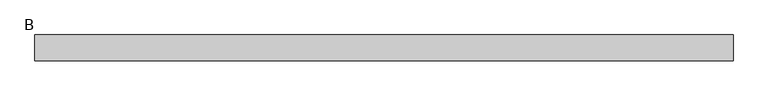
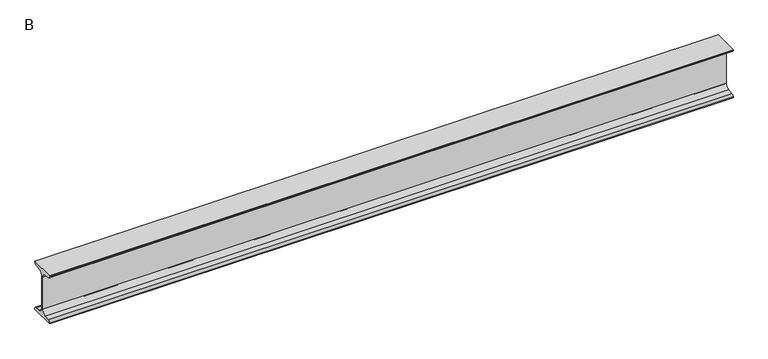
"""IFC4 building model written with IfcOpenShell, lengths in millimetres: beam geometry, B."""

from ifc_helpers import new_model, si_unit, point, frame, frame_2d, origin, place, context, project, spatial, polyline, circle_curve, trimmed, segment, composite_curve, outline, extrude, source, transform, mapped, element, save


def b_cd0e6061(model_context):
    return source(origin(), model_context, "Body", "SweptSolid", [
        extrude(outline(composite_curve([segment(polyline([(25.0, 50.0), (25.0, 48.5034153)]), True, "CONTINUOUS"), segment(trimmed(circle_curve(frame_2d((20.5, 48.5034153)), 4.5), [point((25.0, 48.5034153))], [point((21.126279, 44.047209))], False, "CARTESIAN"), True, "CONTINUOUS"), segment(polyline([(21.126279, 44.047209), (10.0974421, 42.497207)]), True, "CONTINUOUS"), segment(trimmed(circle_curve(frame_2d((11.35, 33.5847944)), 9.0), [point((10.0974421, 42.497207))], [point((2.35, 33.5847944))], True, "CARTESIAN"), True, "CONTINUOUS"), segment(polyline([(2.35, 33.5847944), (2.35, -33.5847944)]), True, "CONTINUOUS"), segment(trimmed(circle_curve(frame_2d((11.35, -33.5847944)), 9.0), [point((2.35, -33.5847944))], [point((10.0974421, -42.497207))], True, "CARTESIAN"), True, "CONTINUOUS"), segment(polyline([(10.0974421, -42.497207), (21.126279, -44.047209)]), True, "CONTINUOUS"), segment(trimmed(circle_curve(frame_2d((20.5, -48.5034153)), 4.5), [point((21.126279, -44.047209))], [point((25.0, -48.5034153))], False, "CARTESIAN"), True, "CONTINUOUS"), segment(polyline([(25.0, -48.5034153), (25.0, -50.0), (-25.0, -50.0), (-25.0, -48.5034153)]), True, "CONTINUOUS"), segment(trimmed(circle_curve(frame_2d((-20.5, -48.5034153)), 4.5), [point((-25.0, -48.5034153))], [point((-21.126279, -44.047209))], False, "CARTESIAN"), True, "CONTINUOUS"), segment(polyline([(-21.126279, -44.047209), (-10.0974421, -42.497207)]), True, "CONTINUOUS"), segment(trimmed(circle_curve(frame_2d((-11.35, -33.5847944)), 9.0), [point((-10.0974421, -42.497207))], [point((-2.35, -33.5847944))], True, "CARTESIAN"), True, "CONTINUOUS"), segment(polyline([(-2.35, -33.5847944), (-2.35, 33.5847944)]), True, "CONTINUOUS"), segment(trimmed(circle_curve(frame_2d((-11.35, 33.5847944)), 9.0), [point((-2.35, 33.5847944))], [point((-10.0974421, 42.497207))], True, "CARTESIAN"), True, "CONTINUOUS"), segment(polyline([(-10.0974421, 42.497207), (-21.126279, 44.047209)]), True, "CONTINUOUS"), segment(trimmed(circle_curve(frame_2d((-20.5, 48.5034153)), 4.5), [point((-21.126279, 44.047209))], [point((-25.0, 48.5034153))], False, "CARTESIAN"), True, "CONTINUOUS"), segment(polyline([(-25.0, 48.5034153), (-25.0, 50.0), (25.0, 50.0)]), True, "CONTINUOUS")], self_intersect=False)), frame((-739.75, 0.0, 0.0), z_axis=(1.0, 0.0, 0.0), x_axis=(0.0, 1.0, 0.0)), (0.0, 0.0, 1.0), 1343.1),
    ])


if __name__ == "__main__":
    model = new_model("IFC4")
    model_context = context("Model", 3, world=origin())
    ifc_project = project(units=[si_unit("LENGTHUNIT", "METRE", prefix="MILLI")], contexts=[model_context])
    site = spatial("IfcSite", under=ifc_project)
    building = spatial("IfcBuilding", under=site)
    placement = place(None, origin())
    b_shape = b_cd0e6061(model_context)
    element("IfcBeam", 1, ObjectType="B", at=placement, inside=building, context=model_context, shape_type="MappedRepresentation", body=[
        mapped(b_shape, transform((0.0, 0.0, 0.0), x_axis=(1.0, 0.0, 0.0), y_axis=(0.0, 1.0, 0.0), z_axis=(0.0, 0.0, 1.0))),
    ])
    save(model, "model.ifc")
